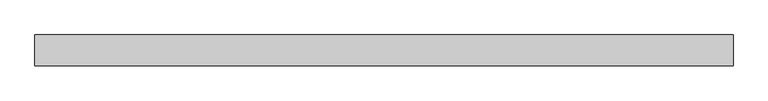
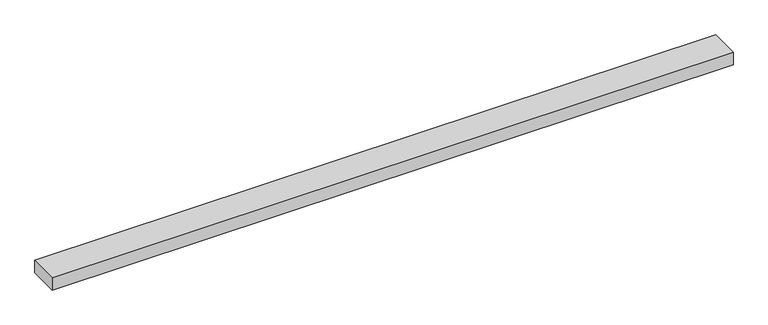
"""IFC4 building model written with IfcOpenShell, lengths in millimetres: beam geometry."""

import ifcopenshell
import ifcopenshell.guid

model = None  # the IFC model being written
_history = None  # IfcOwnerHistory: only IFC2X3 demands one
_inside = {}  # id of a spatial element -> (the spatial element, [elements in it])
_under = {}  # id of a project, library or spatial element -> (it, [spatial elements below it])
_declared = {}  # id of a project -> (the project, [libraries it declares])
_typed = {}  # id of a type object -> (the type object, [elements of that type])
_made_of = {}  # id of a material, layer set ... -> (it, [elements and type objects made of it])


def new_model(schema):
    """Start an empty IFC model of exactly this schema.

    Asked for "IFC4X3", IfcOpenShell would pick the latest addendum, in which some entities
    have other attributes; the version numbers below select the first issue.
    IFC2X3 requires an IfcOwnerHistory on every rooted entity: one is made here for all.
    """
    global model, _history
    if schema == "IFC4X3":
        model = ifcopenshell.file(schema_version=(4, 3, 0, 0))
    else:
        model = ifcopenshell.file(schema=schema)
    _inside.clear()
    _under.clear()
    _declared.clear()
    _typed.clear()
    _made_of.clear()
    _history = None
    if model.schema == "IFC2X3":
        org = make("IfcOrganization", Name="unknown")
        user = make(
            "IfcPersonAndOrganization",
            ThePerson=make("IfcPerson", FamilyName="unknown"),
            TheOrganization=org,
        )
        app = make(
            "IfcApplication",
            ApplicationDeveloper=org,
            Version="unknown",
            ApplicationFullName="unknown",
            ApplicationIdentifier="unknown",
        )
        _history = make(
            "IfcOwnerHistory",
            OwningUser=user,
            OwningApplication=app,
            ChangeAction="ADDED",
            CreationDate=0,
        )
    return model


def make(cls, **values):
    """One entity of the class cls with the attributes given. An attribute that is None is left unset."""
    return model.create_entity(
        cls, **{name: value for name, value in values.items() if value is not None}
    )


def rooted(cls, **values):
    """An entity with a GlobalId (a new one), such as an element, a storey or a relation."""
    return make(cls, GlobalId=ifcopenshell.guid.new(), OwnerHistory=_history, **values)


def si_unit(unit_type, name, prefix=None):
    """IfcSIUnit, for example si_unit("LENGTHUNIT", "METRE", prefix="MILLI")."""
    return make("IfcSIUnit", UnitType=unit_type, Prefix=prefix, Name=name)


def assignment(units):
    """IfcUnitAssignment: the units of a project."""
    return None if units is None else make("IfcUnitAssignment", Units=units)


def point(xyz):
    """IfcCartesianPoint."""
    return None if xyz is None else make("IfcCartesianPoint", Coordinates=xyz)


def direction(xyz):
    """IfcDirection."""
    return None if xyz is None else make("IfcDirection", DirectionRatios=xyz)


def frame(location, z_axis=None, x_axis=None):
    """IfcAxis2Placement3D, a coordinate frame: its origin and axes. An axis left out is left unset."""
    return make(
        "IfcAxis2Placement3D",
        Location=point(location),
        Axis=direction(z_axis),
        RefDirection=direction(x_axis),
    )


def origin():
    """The frame at (0, 0, 0) with its axes left unset."""
    return frame((0.0, 0.0, 0.0))


def place(relative_to, where):
    """IfcLocalPlacement: puts the frame where relative to a parent placement (None: the world)."""
    return make(
        "IfcLocalPlacement", PlacementRelTo=relative_to, RelativePlacement=where
    )


def context(
    kind, dimensions, precision=None, world=None, true_north=None, identifier=None
):
    """IfcGeometricRepresentationContext, for example the 3D "Model" context."""
    return make(
        "IfcGeometricRepresentationContext",
        ContextIdentifier=identifier,
        ContextType=kind,
        CoordinateSpaceDimension=dimensions,
        Precision=precision,
        WorldCoordinateSystem=world,
        TrueNorth=true_north,
    )


def project(units=None, contexts=None):
    """IfcProject with its units and contexts."""
    return rooted(
        "IfcProject",
        Name="project",
        RepresentationContexts=contexts,
        UnitsInContext=assignment(units),
    )


def spatial(cls, under=None, at=None, **own):
    """A site, building, storey or space (cls), placed at a placement, below another one or the project."""
    s = rooted(cls, ObjectPlacement=at, **own)
    if under is not None:
        _under.setdefault(under.id(), (under, []))[1].append(s)
    return s


def polyline(points):
    """IfcPolyline through the points."""
    return make("IfcPolyline", Points=[point(p) for p in points])


def outline(outer, holes=None, kind="AREA"):
    """IfcArbitraryClosedProfileDef: a profile drawn as a closed curve; with holes, ...WithVoids."""
    if holes is None:
        return make("IfcArbitraryClosedProfileDef", ProfileType=kind, OuterCurve=outer)
    return make(
        "IfcArbitraryProfileDefWithVoids",
        ProfileType=kind,
        OuterCurve=outer,
        InnerCurves=holes,
    )


def extrude(swept, where, along, depth):
    """IfcExtrudedAreaSolid: the profile swept, set in the frame where, extruded along a direction by depth."""
    return make(
        "IfcExtrudedAreaSolid",
        SweptArea=swept,
        Position=where,
        ExtrudedDirection=direction(along),
        Depth=depth,
    )


def shape(context_of_items, identifier, shape_type, items):
    """IfcShapeRepresentation: the items that make up one representation, for example the "Body"."""
    return make(
        "IfcShapeRepresentation",
        ContextOfItems=context_of_items,
        RepresentationIdentifier=identifier,
        RepresentationType=shape_type,
        Items=items,
    )


def source(mapping_origin, context_of_items, identifier, shape_type, items):
    """IfcRepresentationMap: a shape defined once, which mapped items show again and again."""
    return make(
        "IfcRepresentationMap",
        MappingOrigin=mapping_origin,
        MappedRepresentation=shape(context_of_items, identifier, shape_type, items),
    )


def transform(
    local_origin,
    x_axis=None,
    y_axis=None,
    z_axis=None,
    scale=None,
    scale2=None,
    scale3=None,
    uniform=True,
):
    """IfcCartesianTransformationOperator3D, or its non-uniform kind. x_axis, y_axis, z_axis: its Axis1, 2, 3."""
    if uniform:
        return make(
            "IfcCartesianTransformationOperator3D",
            Axis1=direction(x_axis),
            Axis2=direction(y_axis),
            LocalOrigin=point(local_origin),
            Scale=scale,
            Axis3=direction(z_axis),
        )
    return make(
        "IfcCartesianTransformationOperator3DnonUniform",
        Axis1=direction(x_axis),
        Axis2=direction(y_axis),
        LocalOrigin=point(local_origin),
        Scale=scale,
        Axis3=direction(z_axis),
        Scale2=scale2,
        Scale3=scale3,
    )


def mapped(mapping_source, mapping_target):
    """IfcMappedItem: shows the shape of a source again, moved by a transform."""
    return make(
        "IfcMappedItem", MappingSource=mapping_source, MappingTarget=mapping_target
    )


def made_of(thing, what):
    """Note that an element or type object is made of a material, layer set ...; save() writes the relation."""
    if what is not None:
        _made_of.setdefault(what.id(), (what, []))[1].append(thing)
    return thing


def element(
    cls,
    number,
    at=None,
    inside=None,
    cuts=None,
    type_object=None,
    material=None,
    context=None,
    identifier="Body",
    shape_type=None,
    held_by="IfcProductDefinitionShape",
    body=None,
    shapes=None,
    **own,
):
    """One element of the class cls, such as IfcWall. Its Tag is "e" and its number.

    at: its placement. inside: the storey or other place that contains it. cuts: it is an
    opening in that element (IfcRelVoidsElement). A single representation is given by context,
    identifier, shape_type and body (its items); several are given by shapes. held_by: the class
    of the entity that holds the representations. save() writes the other relations.
    """
    e = rooted(cls, Tag="e%d" % number, ObjectPlacement=at, **own)
    if body is not None:
        shapes = [shape(context, identifier, shape_type, body)]
    if shapes is not None:
        e.Representation = make(held_by, Representations=shapes)
    if inside is not None:
        _inside.setdefault(inside.id(), (inside, []))[1].append(e)
    if cuts is not None:
        rooted(
            "IfcRelVoidsElement", RelatingBuildingElement=cuts, RelatedOpeningElement=e
        )
    if type_object is not None:
        _typed.setdefault(type_object.id(), (type_object, []))[1].append(e)
    return made_of(e, material)


def aggregate(whole, parts):
    """IfcRelAggregates: a whole, such as a stair, and the parts it consists of."""
    return rooted("IfcRelAggregates", RelatingObject=whole, RelatedObjects=parts)


def save(model, path):
    """Write the relations noted so far, then the file.

    IfcRelAggregates (storeys below a building ...), IfcRelContainedInSpatialStructure (elements
    in a storey), IfcRelDefinesByType, IfcRelAssociatesMaterial and IfcRelDeclares: one each for
    every whole, place, type object, material and project.
    """
    for whole, parts in _under.values():
        aggregate(whole, parts)
    for where, things in _inside.values():
        rooted(
            "IfcRelContainedInSpatialStructure",
            RelatedElements=things,
            RelatingStructure=where,
        )
    for kind, things in _typed.values():
        rooted("IfcRelDefinesByType", RelatedObjects=things, RelatingType=kind)
    for what, things in _made_of.values():
        rooted("IfcRelAssociatesMaterial", RelatedObjects=things, RelatingMaterial=what)
    for by, libraries in _declared.values():
        rooted("IfcRelDeclares", RelatingContext=by, RelatedDefinitions=libraries)
    model.write(path)


def beam_13413793(model_context):
    return source(origin(), model_context, "Body", "SweptSolid", [
        extrude(outline(polyline([(577.3502692, 25.0), (577.3502692, -25.0), (-557.3502692, -25.0), (-557.3502692, 25.0), (577.3502692, 25.0)])), frame((0.0, 0.0, -11.0), z_axis=(0.0, 0.0, 1.0), x_axis=(1.0, 0.0, 0.0)), (0.0, 0.0, 1.0), 22.0),
    ])


if __name__ == "__main__":
    model = new_model("IFC4")
    model_context = context("Model", 3, world=origin())
    ifc_project = project(units=[si_unit("LENGTHUNIT", "METRE", prefix="MILLI")], contexts=[model_context])
    site = spatial("IfcSite", under=ifc_project)
    building = spatial("IfcBuilding", under=site)
    placement = place(None, origin())
    beam_shape = beam_13413793(model_context)
    element("IfcBeam", 1, at=placement, inside=building, context=model_context, shape_type="MappedRepresentation", body=[
        mapped(beam_shape, transform((0.0, 0.0, 0.0), x_axis=(1.0, 0.0, 0.0), y_axis=(0.0, 1.0, 0.0), z_axis=(0.0, 0.0, 1.0))),
    ])
    save(model, "model.ifc")
